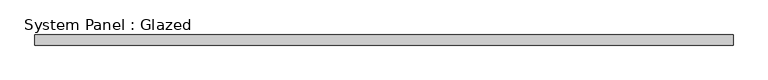
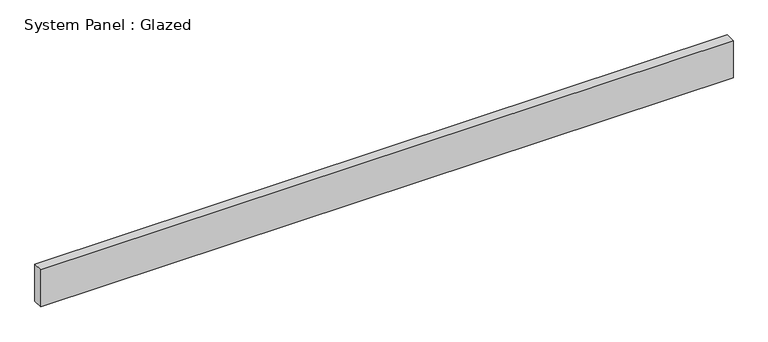
"""IFC4 building model written with IfcOpenShell, lengths in millimetres: plate geometry, System Panel : Glazed."""

import ifcopenshell
import ifcopenshell.guid

model = None  # the IFC model being written
_history = None  # IfcOwnerHistory: only IFC2X3 demands one
_inside = {}  # id of a spatial element -> (the spatial element, [elements in it])
_under = {}  # id of a project, library or spatial element -> (it, [spatial elements below it])
_declared = {}  # id of a project -> (the project, [libraries it declares])
_typed = {}  # id of a type object -> (the type object, [elements of that type])
_made_of = {}  # id of a material, layer set ... -> (it, [elements and type objects made of it])


def new_model(schema):
    """Start an empty IFC model of exactly this schema.

    Asked for "IFC4X3", IfcOpenShell would pick the latest addendum, in which some entities
    have other attributes; the version numbers below select the first issue.
    IFC2X3 requires an IfcOwnerHistory on every rooted entity: one is made here for all.
    """
    global model, _history
    if schema == "IFC4X3":
        model = ifcopenshell.file(schema_version=(4, 3, 0, 0))
    else:
        model = ifcopenshell.file(schema=schema)
    _inside.clear()
    _under.clear()
    _declared.clear()
    _typed.clear()
    _made_of.clear()
    _history = None
    if model.schema == "IFC2X3":
        org = make("IfcOrganization", Name="unknown")
        user = make(
            "IfcPersonAndOrganization",
            ThePerson=make("IfcPerson", FamilyName="unknown"),
            TheOrganization=org,
        )
        app = make(
            "IfcApplication",
            ApplicationDeveloper=org,
            Version="unknown",
            ApplicationFullName="unknown",
            ApplicationIdentifier="unknown",
        )
        _history = make(
            "IfcOwnerHistory",
            OwningUser=user,
            OwningApplication=app,
            ChangeAction="ADDED",
            CreationDate=0,
        )
    return model


def make(cls, **values):
    """One entity of the class cls with the attributes given. An attribute that is None is left unset."""
    return model.create_entity(
        cls, **{name: value for name, value in values.items() if value is not None}
    )


def rooted(cls, **values):
    """An entity with a GlobalId (a new one), such as an element, a storey or a relation."""
    return make(cls, GlobalId=ifcopenshell.guid.new(), OwnerHistory=_history, **values)


def si_unit(unit_type, name, prefix=None):
    """IfcSIUnit, for example si_unit("LENGTHUNIT", "METRE", prefix="MILLI")."""
    return make("IfcSIUnit", UnitType=unit_type, Prefix=prefix, Name=name)


def assignment(units):
    """IfcUnitAssignment: the units of a project."""
    return None if units is None else make("IfcUnitAssignment", Units=units)


def point(xyz):
    """IfcCartesianPoint."""
    return None if xyz is None else make("IfcCartesianPoint", Coordinates=xyz)


def direction(xyz):
    """IfcDirection."""
    return None if xyz is None else make("IfcDirection", DirectionRatios=xyz)


def frame(location, z_axis=None, x_axis=None):
    """IfcAxis2Placement3D, a coordinate frame: its origin and axes. An axis left out is left unset."""
    return make(
        "IfcAxis2Placement3D",
        Location=point(location),
        Axis=direction(z_axis),
        RefDirection=direction(x_axis),
    )


def origin():
    """The frame at (0, 0, 0) with its axes left unset."""
    return frame((0.0, 0.0, 0.0))


def origin_with_axes():
    """The frame at (0, 0, 0) with the z axis (0, 0, 1) and the x axis (1, 0, 0) written out."""
    return frame((0.0, 0.0, 0.0), z_axis=(0.0, 0.0, 1.0), x_axis=(1.0, 0.0, 0.0))


def place(relative_to, where):
    """IfcLocalPlacement: puts the frame where relative to a parent placement (None: the world)."""
    return make(
        "IfcLocalPlacement", PlacementRelTo=relative_to, RelativePlacement=where
    )


def context(
    kind, dimensions, precision=None, world=None, true_north=None, identifier=None
):
    """IfcGeometricRepresentationContext, for example the 3D "Model" context."""
    return make(
        "IfcGeometricRepresentationContext",
        ContextIdentifier=identifier,
        ContextType=kind,
        CoordinateSpaceDimension=dimensions,
        Precision=precision,
        WorldCoordinateSystem=world,
        TrueNorth=true_north,
    )


def project(units=None, contexts=None):
    """IfcProject with its units and contexts."""
    return rooted(
        "IfcProject",
        Name="project",
        RepresentationContexts=contexts,
        UnitsInContext=assignment(units),
    )


def spatial(cls, under=None, at=None, **own):
    """A site, building, storey or space (cls), placed at a placement, below another one or the project."""
    s = rooted(cls, ObjectPlacement=at, **own)
    if under is not None:
        _under.setdefault(under.id(), (under, []))[1].append(s)
    return s


def polyline(points):
    """IfcPolyline through the points."""
    return make("IfcPolyline", Points=[point(p) for p in points])


def outline(outer, holes=None, kind="AREA"):
    """IfcArbitraryClosedProfileDef: a profile drawn as a closed curve; with holes, ...WithVoids."""
    if holes is None:
        return make("IfcArbitraryClosedProfileDef", ProfileType=kind, OuterCurve=outer)
    return make(
        "IfcArbitraryProfileDefWithVoids",
        ProfileType=kind,
        OuterCurve=outer,
        InnerCurves=holes,
    )


def extrude(swept, where, along, depth):
    """IfcExtrudedAreaSolid: the profile swept, set in the frame where, extruded along a direction by depth."""
    return make(
        "IfcExtrudedAreaSolid",
        SweptArea=swept,
        Position=where,
        ExtrudedDirection=direction(along),
        Depth=depth,
    )


def shape(context_of_items, identifier, shape_type, items):
    """IfcShapeRepresentation: the items that make up one representation, for example the "Body"."""
    return make(
        "IfcShapeRepresentation",
        ContextOfItems=context_of_items,
        RepresentationIdentifier=identifier,
        RepresentationType=shape_type,
        Items=items,
    )


def source(mapping_origin, context_of_items, identifier, shape_type, items):
    """IfcRepresentationMap: a shape defined once, which mapped items show again and again."""
    return make(
        "IfcRepresentationMap",
        MappingOrigin=mapping_origin,
        MappedRepresentation=shape(context_of_items, identifier, shape_type, items),
    )


def transform(
    local_origin,
    x_axis=None,
    y_axis=None,
    z_axis=None,
    scale=None,
    scale2=None,
    scale3=None,
    uniform=True,
):
    """IfcCartesianTransformationOperator3D, or its non-uniform kind. x_axis, y_axis, z_axis: its Axis1, 2, 3."""
    if uniform:
        return make(
            "IfcCartesianTransformationOperator3D",
            Axis1=direction(x_axis),
            Axis2=direction(y_axis),
            LocalOrigin=point(local_origin),
            Scale=scale,
            Axis3=direction(z_axis),
        )
    return make(
        "IfcCartesianTransformationOperator3DnonUniform",
        Axis1=direction(x_axis),
        Axis2=direction(y_axis),
        LocalOrigin=point(local_origin),
        Scale=scale,
        Axis3=direction(z_axis),
        Scale2=scale2,
        Scale3=scale3,
    )


def mapped(mapping_source, mapping_target):
    """IfcMappedItem: shows the shape of a source again, moved by a transform."""
    return make(
        "IfcMappedItem", MappingSource=mapping_source, MappingTarget=mapping_target
    )


def made_of(thing, what):
    """Note that an element or type object is made of a material, layer set ...; save() writes the relation."""
    if what is not None:
        _made_of.setdefault(what.id(), (what, []))[1].append(thing)
    return thing


def element(
    cls,
    number,
    at=None,
    inside=None,
    cuts=None,
    type_object=None,
    material=None,
    context=None,
    identifier="Body",
    shape_type=None,
    held_by="IfcProductDefinitionShape",
    body=None,
    shapes=None,
    **own,
):
    """One element of the class cls, such as IfcWall. Its Tag is "e" and its number.

    at: its placement. inside: the storey or other place that contains it. cuts: it is an
    opening in that element (IfcRelVoidsElement). A single representation is given by context,
    identifier, shape_type and body (its items); several are given by shapes. held_by: the class
    of the entity that holds the representations. save() writes the other relations.
    """
    e = rooted(cls, Tag="e%d" % number, ObjectPlacement=at, **own)
    if body is not None:
        shapes = [shape(context, identifier, shape_type, body)]
    if shapes is not None:
        e.Representation = make(held_by, Representations=shapes)
    if inside is not None:
        _inside.setdefault(inside.id(), (inside, []))[1].append(e)
    if cuts is not None:
        rooted(
            "IfcRelVoidsElement", RelatingBuildingElement=cuts, RelatedOpeningElement=e
        )
    if type_object is not None:
        _typed.setdefault(type_object.id(), (type_object, []))[1].append(e)
    return made_of(e, material)


def aggregate(whole, parts):
    """IfcRelAggregates: a whole, such as a stair, and the parts it consists of."""
    return rooted("IfcRelAggregates", RelatingObject=whole, RelatedObjects=parts)


def save(model, path):
    """Write the relations noted so far, then the file.

    IfcRelAggregates (storeys below a building ...), IfcRelContainedInSpatialStructure (elements
    in a storey), IfcRelDefinesByType, IfcRelAssociatesMaterial and IfcRelDeclares: one each for
    every whole, place, type object, material and project.
    """
    for whole, parts in _under.values():
        aggregate(whole, parts)
    for where, things in _inside.values():
        rooted(
            "IfcRelContainedInSpatialStructure",
            RelatedElements=things,
            RelatingStructure=where,
        )
    for kind, things in _typed.values():
        rooted("IfcRelDefinesByType", RelatedObjects=things, RelatingType=kind)
    for what, things in _made_of.values():
        rooted("IfcRelAssociatesMaterial", RelatedObjects=things, RelatingMaterial=what)
    for by, libraries in _declared.values():
        rooted("IfcRelDeclares", RelatingContext=by, RelatedDefinitions=libraries)
    model.write(path)


def system_panel_glazed_a63add84(model_context):
    return source(origin(), model_context, "Body", "SweptSolid", [
        extrude(outline(polyline([(862.0, 24.5), (-862.0, 24.5), (-862.0, 49.5), (862.0, 49.5), (862.0, 24.5)])), origin_with_axes(), (0.0, 0.0, 1.0), 97.1692572),
    ])


if __name__ == "__main__":
    model = new_model("IFC4")
    model_context = context("Model", 3, world=origin())
    ifc_project = project(units=[si_unit("LENGTHUNIT", "METRE", prefix="MILLI")], contexts=[model_context])
    site = spatial("IfcSite", under=ifc_project)
    building = spatial("IfcBuilding", under=site)
    placement = place(None, origin())
    system_panel_glazed_shape = system_panel_glazed_a63add84(model_context)
    element("IfcPlate", 1, ObjectType="System Panel : Glazed", at=placement, inside=building, context=model_context, shape_type="MappedRepresentation", body=[
        mapped(system_panel_glazed_shape, transform((0.0, 0.0, 0.0), x_axis=(1.0, 0.0, 0.0), y_axis=(0.0, 1.0, 0.0), z_axis=(0.0, 0.0, 1.0))),
    ])
    save(model, "model.ifc")
